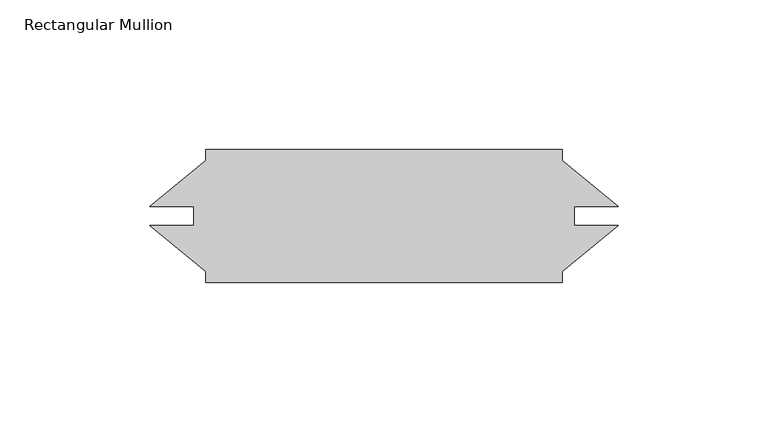
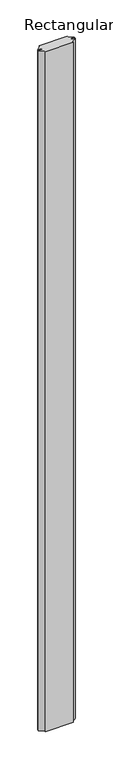
"""IFC4 building model written with IfcOpenShell, lengths in millimetres: member geometry, Rectangular Mullion."""

from ifc_helpers import new_model, si_unit, frame, origin, place, context, project, spatial, polyline, outline, extrude, source, transform, mapped, element, save


def rectangular_mullion_2a78957c(model_context):
    return source(origin(), model_context, "Body", "SweptSolid", [
        extrude(outline(polyline([(-18.70185, 20.8257196), (-18.70185, 17.1195556), (-0.0001283, 1.7756445), (-14.73945, 1.7756445), (-14.73945, -4.5741), (0.0, -4.5741), (-18.70185, -19.9181164), (-18.70185, -23.6242804), (-137.75165, -23.6242804), (-137.75165, -19.9181164), (-156.4532882, -4.5742737), (-141.71405, -4.5742737), (-141.71405, 1.7756935), (-156.453312, 1.7756935), (-137.75165, 17.1195556), (-137.75165, 20.8257196), (-18.70185, 20.8257196)])), frame((0.0, 0.0, -3048.0), z_axis=(0.0, 0.0, 1.0), x_axis=(1.0, 0.0, 0.0)), (0.0, 0.0, 1.0), 3048.0),
    ])


if __name__ == "__main__":
    model = new_model("IFC4")
    model_context = context("Model", 3, world=origin())
    ifc_project = project(units=[si_unit("LENGTHUNIT", "METRE", prefix="MILLI")], contexts=[model_context])
    site = spatial("IfcSite", under=ifc_project)
    building = spatial("IfcBuilding", under=site)
    placement = place(None, origin())
    rectangular_mullion_shape = rectangular_mullion_2a78957c(model_context)
    element("IfcMember", 1, ObjectType="Rectangular Mullion", at=placement, inside=building, context=model_context, shape_type="MappedRepresentation", body=[
        mapped(rectangular_mullion_shape, transform((0.0, 0.0, 0.0), x_axis=(1.0, 0.0, 0.0), y_axis=(0.0, 1.0, 0.0), z_axis=(0.0, 0.0, 1.0))),
    ])
    save(model, "model.ifc")
